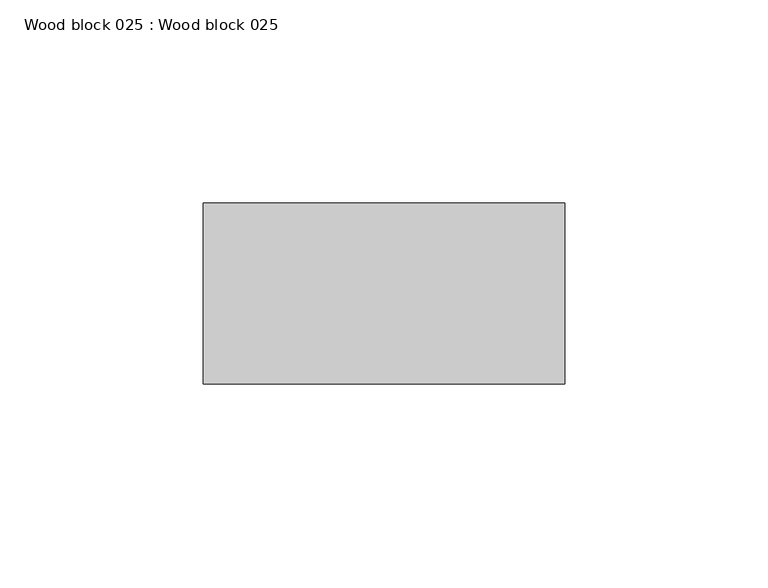
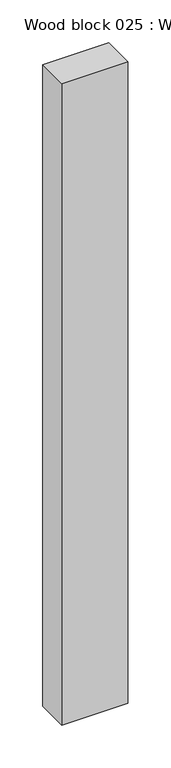
"""IFC4 building model written with IfcOpenShell, lengths in millimetres: proxy geometry, Wood block 025 : Wood block 025."""

from ifc_helpers import new_model, si_unit, frame, origin, place, context, project, spatial, polyline, outline, extrude, source, transform, mapped, element, save


def wood_block_025_wood_block_025_0415e38c(model_context):
    return source(origin(), model_context, "Body", "SweptSolid", [
        extrude(outline(polyline([(37555.4886071, -21404.7029893), (37644.2600914, -21404.7029893), (37644.2600914, -21449.1529893), (37555.4886071, -21449.1529893), (37555.4886071, -21404.7029893)])), frame((0.0, 0.0, 1524.0), z_axis=(0.0, 0.0, 1.0), x_axis=(1.0, 0.0, 0.0)), (0.0, 0.0, 1.0), 914.4),
    ])


if __name__ == "__main__":
    model = new_model("IFC4")
    model_context = context("Model", 3, world=origin())
    ifc_project = project(units=[si_unit("LENGTHUNIT", "METRE", prefix="MILLI")], contexts=[model_context])
    site = spatial("IfcSite", under=ifc_project)
    building = spatial("IfcBuilding", under=site)
    placement = place(None, origin())
    wood_block_025_wood_block_025_shape = wood_block_025_wood_block_025_0415e38c(model_context)
    element("IfcBuildingElementProxy", 1, Name="Wood block 025 : Wood block 025", ObjectType="Wood block 025 : Wood block 025", at=placement, inside=building, context=model_context, shape_type="MappedRepresentation", body=[
        mapped(wood_block_025_wood_block_025_shape, transform((0.0, 0.0, 0.0), x_axis=(1.0, 0.0, 0.0), y_axis=(0.0, 1.0, 0.0), z_axis=(0.0, 0.0, 1.0))),
    ])
    save(model, "model.ifc")
